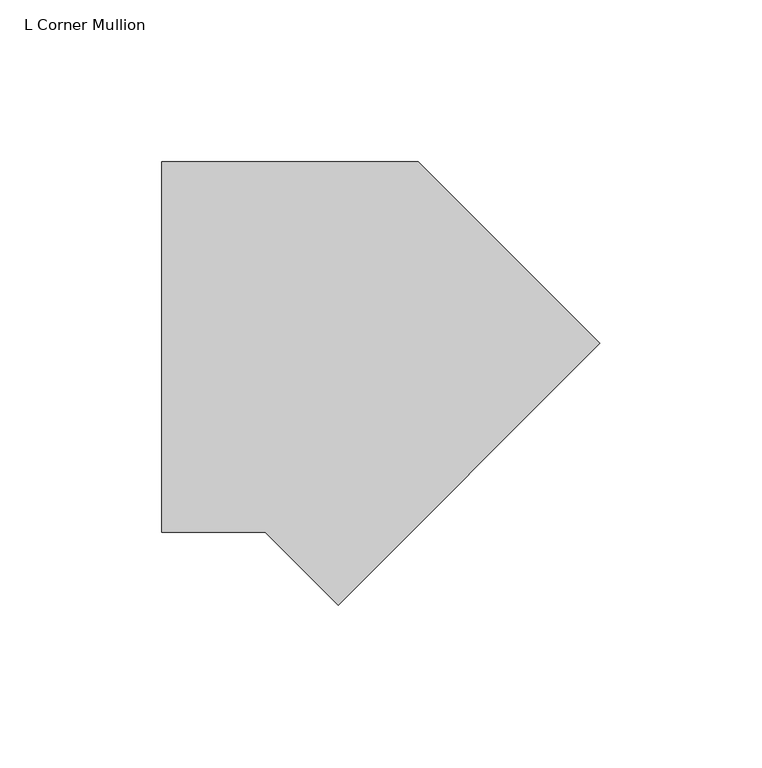
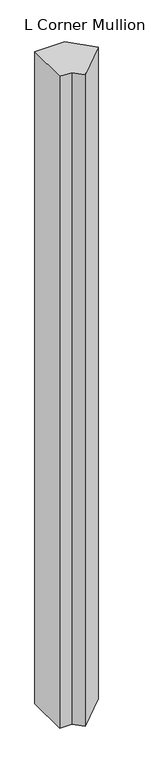
"""IFC4 building model written with IfcOpenShell, lengths in millimetres: member geometry, L Corner Mullion."""

from ifc_helpers import new_model, si_unit, frame, origin, place, context, project, spatial, polyline, outline, extrude, source, transform, mapped, element, save


def l_corner_mullion_841fe853(model_context):
    return source(origin(), model_context, "Body", "SweptSolid", [
        extrude(outline(polyline([(-1.122532, -79.6997731), (-23.6723051, -57.15), (-55.5625, -57.15), (-55.5625, 57.15), (23.6723051, 57.15), (79.6997731, 1.122532), (-1.122532, -79.6997731)])), frame((0.0, 0.0, -1828.8), z_axis=(0.0, 0.0, 1.0), x_axis=(1.0, 0.0, 0.0)), (0.0, 0.0, 1.0), 1828.8),
    ])


if __name__ == "__main__":
    model = new_model("IFC4")
    model_context = context("Model", 3, world=origin())
    ifc_project = project(units=[si_unit("LENGTHUNIT", "METRE", prefix="MILLI")], contexts=[model_context])
    site = spatial("IfcSite", under=ifc_project)
    building = spatial("IfcBuilding", under=site)
    placement = place(None, origin())
    l_corner_mullion_shape = l_corner_mullion_841fe853(model_context)
    element("IfcMember", 1, ObjectType="L Corner Mullion", at=placement, inside=building, context=model_context, shape_type="MappedRepresentation", body=[
        mapped(l_corner_mullion_shape, transform((0.0, 0.0, 0.0), x_axis=(1.0, 0.0, 0.0), y_axis=(0.0, 1.0, 0.0), z_axis=(0.0, 0.0, 1.0))),
    ])
    save(model, "model.ifc")
